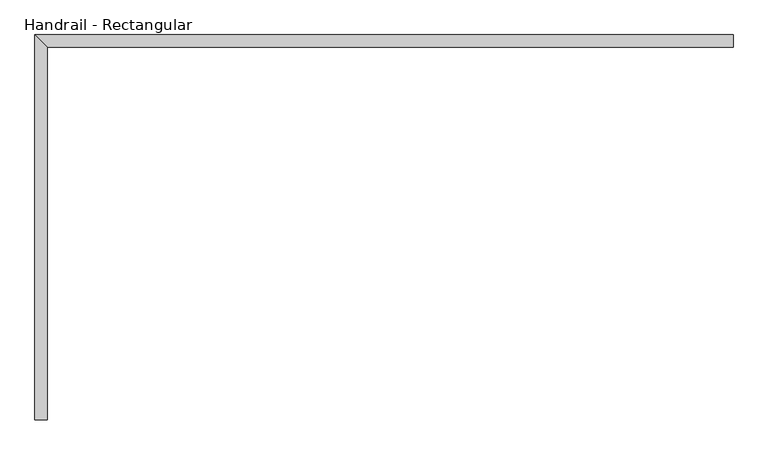
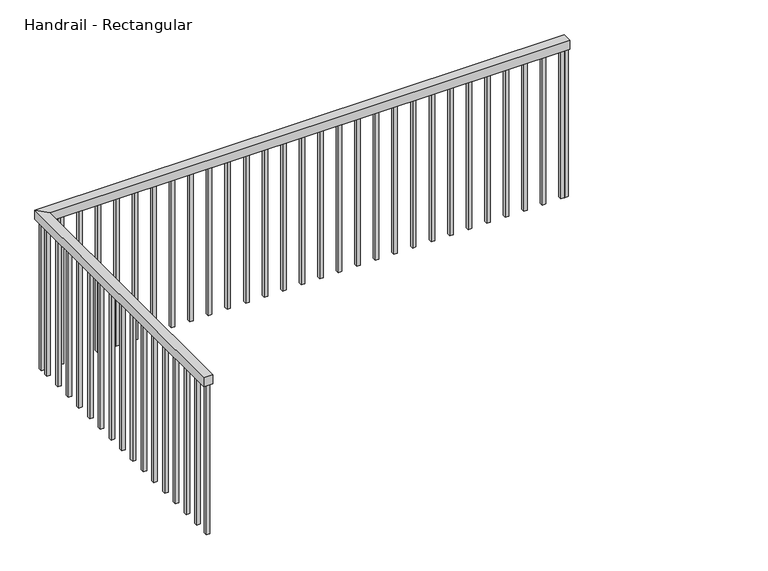
"""IFC4 building model written with IfcOpenShell, lengths in millimetres: railing geometry, Handrail - Rectangular."""

from ifc_helpers import new_model, si_unit, frame, origin, place, context, project, spatial, polyline, outline, extrude, faceted_brep, source, transform, mapped, element, save


def handrail_rectangular_9df8f19b(model_context):
    return source(origin(), model_context, "Body", "SolidModel", [
        faceted_brep([(-1881.1955986, 7012.9686834, 1364.4), (-1931.9955986, 7012.9686834, 1364.4), (-1931.9955986, 7012.9686834, 1313.6), (-1881.1955986, 7012.9686834, 1313.6), (-1881.1955986, 8562.1686834, 1364.4), (-1931.9955986, 8612.9686834, 1364.4), (-1931.9955986, 8612.9686834, 1313.6), (-1881.1955986, 8562.1686834, 1313.6), (968.0044014, 8562.1686834, 1364.4), (968.0044014, 8562.1686834, 1313.6), (968.0044014, 8612.9686834, 1313.6), (968.0044014, 8612.9686834, 1364.4)], [[[0, 1, 2, 3]], [[1, 0, 4, 5]], [[2, 1, 5, 6]], [[3, 2, 6, 7]], [[0, 3, 7, 4]], [[8, 9, 10, 11]], [[5, 4, 8, 11]], [[6, 5, 11, 10]], [[7, 6, 10, 9]], [[4, 7, 9, 8]]]),
        extrude(outline(polyline([(928.6794014, 8578.0436834), (928.6794014, 8597.0936834), (947.7294014, 8597.0936834), (947.7294014, 8578.0436834), (928.6794014, 8578.0436834)])), frame((0.0, 0.0, 450.0), z_axis=(0.0, 0.0, 1.0), x_axis=(1.0, 0.0, 0.0)), (0.0, 0.0, 1.0), 863.6),
        extrude(outline(polyline([(827.0794014, 8578.0436834), (827.0794014, 8597.0936834), (846.1294014, 8597.0936834), (846.1294014, 8578.0436834), (827.0794014, 8578.0436834)])), frame((0.0, 0.0, 450.0), z_axis=(0.0, 0.0, 1.0), x_axis=(1.0, 0.0, 0.0)), (0.0, 0.0, 1.0), 863.6),
        extrude(outline(polyline([(725.4794014, 8578.0436834), (725.4794014, 8597.0936834), (744.5294014, 8597.0936834), (744.5294014, 8578.0436834), (725.4794014, 8578.0436834)])), frame((0.0, 0.0, 450.0), z_axis=(0.0, 0.0, 1.0), x_axis=(1.0, 0.0, 0.0)), (0.0, 0.0, 1.0), 863.6),
        extrude(outline(polyline([(623.8794014, 8578.0436834), (623.8794014, 8597.0936834), (642.9294014, 8597.0936834), (642.9294014, 8578.0436834), (623.8794014, 8578.0436834)])), frame((0.0, 0.0, 450.0), z_axis=(0.0, 0.0, 1.0), x_axis=(1.0, 0.0, 0.0)), (0.0, 0.0, 1.0), 863.6),
        extrude(outline(polyline([(522.2794014, 8578.0436834), (522.2794014, 8597.0936834), (541.3294014, 8597.0936834), (541.3294014, 8578.0436834), (522.2794014, 8578.0436834)])), frame((0.0, 0.0, 450.0), z_axis=(0.0, 0.0, 1.0), x_axis=(1.0, 0.0, 0.0)), (0.0, 0.0, 1.0), 863.6),
        extrude(outline(polyline([(420.6794014, 8578.0436834), (420.6794014, 8597.0936834), (439.7294014, 8597.0936834), (439.7294014, 8578.0436834), (420.6794014, 8578.0436834)])), frame((0.0, 0.0, 450.0), z_axis=(0.0, 0.0, 1.0), x_axis=(1.0, 0.0, 0.0)), (0.0, 0.0, 1.0), 863.6),
        extrude(outline(polyline([(319.0794014, 8578.0436834), (319.0794014, 8597.0936834), (338.1294014, 8597.0936834), (338.1294014, 8578.0436834), (319.0794014, 8578.0436834)])), frame((0.0, 0.0, 450.0), z_axis=(0.0, 0.0, 1.0), x_axis=(1.0, 0.0, 0.0)), (0.0, 0.0, 1.0), 863.6),
        extrude(outline(polyline([(217.4794014, 8578.0436834), (217.4794014, 8597.0936834), (236.5294014, 8597.0936834), (236.5294014, 8578.0436834), (217.4794014, 8578.0436834)])), frame((0.0, 0.0, 450.0), z_axis=(0.0, 0.0, 1.0), x_axis=(1.0, 0.0, 0.0)), (0.0, 0.0, 1.0), 863.6),
        extrude(outline(polyline([(115.8794014, 8578.0436834), (115.8794014, 8597.0936834), (134.9294014, 8597.0936834), (134.9294014, 8578.0436834), (115.8794014, 8578.0436834)])), frame((0.0, 0.0, 450.0), z_axis=(0.0, 0.0, 1.0), x_axis=(1.0, 0.0, 0.0)), (0.0, 0.0, 1.0), 863.6),
        extrude(outline(polyline([(14.2794014, 8578.0436834), (14.2794014, 8597.0936834), (33.3294014, 8597.0936834), (33.3294014, 8578.0436834), (14.2794014, 8578.0436834)])), frame((0.0, 0.0, 450.0), z_axis=(0.0, 0.0, 1.0), x_axis=(1.0, 0.0, 0.0)), (0.0, 0.0, 1.0), 863.6),
        extrude(outline(polyline([(-87.3205986, 8578.0436834), (-87.3205986, 8597.0936834), (-68.2705986, 8597.0936834), (-68.2705986, 8578.0436834), (-87.3205986, 8578.0436834)])), frame((0.0, 0.0, 450.0), z_axis=(0.0, 0.0, 1.0), x_axis=(1.0, 0.0, 0.0)), (0.0, 0.0, 1.0), 863.6),
        extrude(outline(polyline([(-188.9205986, 8578.0436834), (-188.9205986, 8597.0936834), (-169.8705986, 8597.0936834), (-169.8705986, 8578.0436834), (-188.9205986, 8578.0436834)])), frame((0.0, 0.0, 450.0), z_axis=(0.0, 0.0, 1.0), x_axis=(1.0, 0.0, 0.0)), (0.0, 0.0, 1.0), 863.6),
        extrude(outline(polyline([(-290.5205986, 8578.0436834), (-290.5205986, 8597.0936834), (-271.4705986, 8597.0936834), (-271.4705986, 8578.0436834), (-290.5205986, 8578.0436834)])), frame((0.0, 0.0, 450.0), z_axis=(0.0, 0.0, 1.0), x_axis=(1.0, 0.0, 0.0)), (0.0, 0.0, 1.0), 863.6),
        extrude(outline(polyline([(-392.1205986, 8578.0436834), (-392.1205986, 8597.0936834), (-373.0705986, 8597.0936834), (-373.0705986, 8578.0436834), (-392.1205986, 8578.0436834)])), frame((0.0, 0.0, 450.0), z_axis=(0.0, 0.0, 1.0), x_axis=(1.0, 0.0, 0.0)), (0.0, 0.0, 1.0), 863.6),
        extrude(outline(polyline([(-493.7205986, 8578.0436834), (-493.7205986, 8597.0936834), (-474.6705986, 8597.0936834), (-474.6705986, 8578.0436834), (-493.7205986, 8578.0436834)])), frame((0.0, 0.0, 450.0), z_axis=(0.0, 0.0, 1.0), x_axis=(1.0, 0.0, 0.0)), (0.0, 0.0, 1.0), 863.6),
        extrude(outline(polyline([(-595.3205986, 8578.0436834), (-595.3205986, 8597.0936834), (-576.2705986, 8597.0936834), (-576.2705986, 8578.0436834), (-595.3205986, 8578.0436834)])), frame((0.0, 0.0, 450.0), z_axis=(0.0, 0.0, 1.0), x_axis=(1.0, 0.0, 0.0)), (0.0, 0.0, 1.0), 863.6),
        extrude(outline(polyline([(-696.9205986, 8578.0436834), (-696.9205986, 8597.0936834), (-677.8705986, 8597.0936834), (-677.8705986, 8578.0436834), (-696.9205986, 8578.0436834)])), frame((0.0, 0.0, 450.0), z_axis=(0.0, 0.0, 1.0), x_axis=(1.0, 0.0, 0.0)), (0.0, 0.0, 1.0), 863.6),
        extrude(outline(polyline([(-798.5205986, 8578.0436834), (-798.5205986, 8597.0936834), (-779.4705986, 8597.0936834), (-779.4705986, 8578.0436834), (-798.5205986, 8578.0436834)])), frame((0.0, 0.0, 450.0), z_axis=(0.0, 0.0, 1.0), x_axis=(1.0, 0.0, 0.0)), (0.0, 0.0, 1.0), 863.6),
        extrude(outline(polyline([(-900.1205986, 8578.0436834), (-900.1205986, 8597.0936834), (-881.0705986, 8597.0936834), (-881.0705986, 8578.0436834), (-900.1205986, 8578.0436834)])), frame((0.0, 0.0, 450.0), z_axis=(0.0, 0.0, 1.0), x_axis=(1.0, 0.0, 0.0)), (0.0, 0.0, 1.0), 863.6),
        extrude(outline(polyline([(-1001.7205986, 8578.0436834), (-1001.7205986, 8597.0936834), (-982.6705986, 8597.0936834), (-982.6705986, 8578.0436834), (-1001.7205986, 8578.0436834)])), frame((0.0, 0.0, 450.0), z_axis=(0.0, 0.0, 1.0), x_axis=(1.0, 0.0, 0.0)), (0.0, 0.0, 1.0), 863.6),
        extrude(outline(polyline([(-1103.3205986, 8578.0436834), (-1103.3205986, 8597.0936834), (-1084.2705986, 8597.0936834), (-1084.2705986, 8578.0436834), (-1103.3205986, 8578.0436834)])), frame((0.0, 0.0, 450.0), z_axis=(0.0, 0.0, 1.0), x_axis=(1.0, 0.0, 0.0)), (0.0, 0.0, 1.0), 863.6),
        extrude(outline(polyline([(-1204.9205986, 8578.0436834), (-1204.9205986, 8597.0936834), (-1185.8705986, 8597.0936834), (-1185.8705986, 8578.0436834), (-1204.9205986, 8578.0436834)])), frame((0.0, 0.0, 450.0), z_axis=(0.0, 0.0, 1.0), x_axis=(1.0, 0.0, 0.0)), (0.0, 0.0, 1.0), 863.6),
        extrude(outline(polyline([(-1306.5205986, 8578.0436834), (-1306.5205986, 8597.0936834), (-1287.4705986, 8597.0936834), (-1287.4705986, 8578.0436834), (-1306.5205986, 8578.0436834)])), frame((0.0, 0.0, 450.0), z_axis=(0.0, 0.0, 1.0), x_axis=(1.0, 0.0, 0.0)), (0.0, 0.0, 1.0), 863.6),
        extrude(outline(polyline([(-1408.1205986, 8578.0436834), (-1408.1205986, 8597.0936834), (-1389.0705986, 8597.0936834), (-1389.0705986, 8578.0436834), (-1408.1205986, 8578.0436834)])), frame((0.0, 0.0, 450.0), z_axis=(0.0, 0.0, 1.0), x_axis=(1.0, 0.0, 0.0)), (0.0, 0.0, 1.0), 863.6),
        extrude(outline(polyline([(-1509.7205986, 8578.0436834), (-1509.7205986, 8597.0936834), (-1490.6705986, 8597.0936834), (-1490.6705986, 8578.0436834), (-1509.7205986, 8578.0436834)])), frame((0.0, 0.0, 450.0), z_axis=(0.0, 0.0, 1.0), x_axis=(1.0, 0.0, 0.0)), (0.0, 0.0, 1.0), 863.6),
        extrude(outline(polyline([(-1611.3205986, 8578.0436834), (-1611.3205986, 8597.0936834), (-1592.2705986, 8597.0936834), (-1592.2705986, 8578.0436834), (-1611.3205986, 8578.0436834)])), frame((0.0, 0.0, 450.0), z_axis=(0.0, 0.0, 1.0), x_axis=(1.0, 0.0, 0.0)), (0.0, 0.0, 1.0), 863.6),
        extrude(outline(polyline([(-1712.9205986, 8578.0436834), (-1712.9205986, 8597.0936834), (-1693.8705986, 8597.0936834), (-1693.8705986, 8578.0436834), (-1712.9205986, 8578.0436834)])), frame((0.0, 0.0, 450.0), z_axis=(0.0, 0.0, 1.0), x_axis=(1.0, 0.0, 0.0)), (0.0, 0.0, 1.0), 863.6),
        extrude(outline(polyline([(-1814.5205986, 8578.0436834), (-1814.5205986, 8597.0936834), (-1795.4705986, 8597.0936834), (-1795.4705986, 8578.0436834), (-1814.5205986, 8578.0436834)])), frame((0.0, 0.0, 450.0), z_axis=(0.0, 0.0, 1.0), x_axis=(1.0, 0.0, 0.0)), (0.0, 0.0, 1.0), 863.6),
        extrude(outline(polyline([(-1897.0705986, 8527.4436834), (-1916.1205986, 8527.4436834), (-1916.1205986, 8546.4936834), (-1897.0705986, 8546.4936834), (-1897.0705986, 8527.4436834)])), frame((0.0, 0.0, 450.0), z_axis=(0.0, 0.0, 1.0), x_axis=(1.0, 0.0, 0.0)), (0.0, 0.0, 1.0), 863.6),
        extrude(outline(polyline([(-1897.0705986, 8425.8436834), (-1916.1205986, 8425.8436834), (-1916.1205986, 8444.8936834), (-1897.0705986, 8444.8936834), (-1897.0705986, 8425.8436834)])), frame((0.0, 0.0, 450.0), z_axis=(0.0, 0.0, 1.0), x_axis=(1.0, 0.0, 0.0)), (0.0, 0.0, 1.0), 863.6),
        extrude(outline(polyline([(-1897.0705986, 8324.2436834), (-1916.1205986, 8324.2436834), (-1916.1205986, 8343.2936834), (-1897.0705986, 8343.2936834), (-1897.0705986, 8324.2436834)])), frame((0.0, 0.0, 450.0), z_axis=(0.0, 0.0, 1.0), x_axis=(1.0, 0.0, 0.0)), (0.0, 0.0, 1.0), 863.6),
        extrude(outline(polyline([(-1897.0705986, 8222.6436834), (-1916.1205986, 8222.6436834), (-1916.1205986, 8241.6936834), (-1897.0705986, 8241.6936834), (-1897.0705986, 8222.6436834)])), frame((0.0, 0.0, 450.0), z_axis=(0.0, 0.0, 1.0), x_axis=(1.0, 0.0, 0.0)), (0.0, 0.0, 1.0), 863.6),
        extrude(outline(polyline([(-1897.0705986, 8121.0436834), (-1916.1205986, 8121.0436834), (-1916.1205986, 8140.0936834), (-1897.0705986, 8140.0936834), (-1897.0705986, 8121.0436834)])), frame((0.0, 0.0, 450.0), z_axis=(0.0, 0.0, 1.0), x_axis=(1.0, 0.0, 0.0)), (0.0, 0.0, 1.0), 863.6),
        extrude(outline(polyline([(-1897.0705986, 8019.4436834), (-1916.1205986, 8019.4436834), (-1916.1205986, 8038.4936834), (-1897.0705986, 8038.4936834), (-1897.0705986, 8019.4436834)])), frame((0.0, 0.0, 450.0), z_axis=(0.0, 0.0, 1.0), x_axis=(1.0, 0.0, 0.0)), (0.0, 0.0, 1.0), 863.6),
        extrude(outline(polyline([(-1897.0705986, 7917.8436834), (-1916.1205986, 7917.8436834), (-1916.1205986, 7936.8936834), (-1897.0705986, 7936.8936834), (-1897.0705986, 7917.8436834)])), frame((0.0, 0.0, 450.0), z_axis=(0.0, 0.0, 1.0), x_axis=(1.0, 0.0, 0.0)), (0.0, 0.0, 1.0), 863.6),
        extrude(outline(polyline([(-1897.0705986, 7816.2436834), (-1916.1205986, 7816.2436834), (-1916.1205986, 7835.2936834), (-1897.0705986, 7835.2936834), (-1897.0705986, 7816.2436834)])), frame((0.0, 0.0, 450.0), z_axis=(0.0, 0.0, 1.0), x_axis=(1.0, 0.0, 0.0)), (0.0, 0.0, 1.0), 863.6),
        extrude(outline(polyline([(-1897.0705986, 7714.6436834), (-1916.1205986, 7714.6436834), (-1916.1205986, 7733.6936834), (-1897.0705986, 7733.6936834), (-1897.0705986, 7714.6436834)])), frame((0.0, 0.0, 450.0), z_axis=(0.0, 0.0, 1.0), x_axis=(1.0, 0.0, 0.0)), (0.0, 0.0, 1.0), 863.6),
        extrude(outline(polyline([(-1897.0705986, 7613.0436834), (-1916.1205986, 7613.0436834), (-1916.1205986, 7632.0936834), (-1897.0705986, 7632.0936834), (-1897.0705986, 7613.0436834)])), frame((0.0, 0.0, 450.0), z_axis=(0.0, 0.0, 1.0), x_axis=(1.0, 0.0, 0.0)), (0.0, 0.0, 1.0), 863.6),
        extrude(outline(polyline([(-1897.0705986, 7511.4436834), (-1916.1205986, 7511.4436834), (-1916.1205986, 7530.4936834), (-1897.0705986, 7530.4936834), (-1897.0705986, 7511.4436834)])), frame((0.0, 0.0, 450.0), z_axis=(0.0, 0.0, 1.0), x_axis=(1.0, 0.0, 0.0)), (0.0, 0.0, 1.0), 863.6),
        extrude(outline(polyline([(-1897.0705986, 7409.8436834), (-1916.1205986, 7409.8436834), (-1916.1205986, 7428.8936834), (-1897.0705986, 7428.8936834), (-1897.0705986, 7409.8436834)])), frame((0.0, 0.0, 450.0), z_axis=(0.0, 0.0, 1.0), x_axis=(1.0, 0.0, 0.0)), (0.0, 0.0, 1.0), 863.6),
        extrude(outline(polyline([(-1897.0705986, 7308.2436834), (-1916.1205986, 7308.2436834), (-1916.1205986, 7327.2936834), (-1897.0705986, 7327.2936834), (-1897.0705986, 7308.2436834)])), frame((0.0, 0.0, 450.0), z_axis=(0.0, 0.0, 1.0), x_axis=(1.0, 0.0, 0.0)), (0.0, 0.0, 1.0), 863.6),
        extrude(outline(polyline([(-1897.0705986, 7206.6436834), (-1916.1205986, 7206.6436834), (-1916.1205986, 7225.6936834), (-1897.0705986, 7225.6936834), (-1897.0705986, 7206.6436834)])), frame((0.0, 0.0, 450.0), z_axis=(0.0, 0.0, 1.0), x_axis=(1.0, 0.0, 0.0)), (0.0, 0.0, 1.0), 863.6),
        extrude(outline(polyline([(-1897.0705986, 7105.0436834), (-1916.1205986, 7105.0436834), (-1916.1205986, 7124.0936834), (-1897.0705986, 7124.0936834), (-1897.0705986, 7105.0436834)])), frame((0.0, 0.0, 450.0), z_axis=(0.0, 0.0, 1.0), x_axis=(1.0, 0.0, 0.0)), (0.0, 0.0, 1.0), 863.6),
        extrude(outline(polyline([(-1897.0705986, 8578.0436834), (-1916.1205986, 8578.0436834), (-1916.1205986, 8597.0936834), (-1897.0705986, 8597.0936834), (-1897.0705986, 8578.0436834)])), frame((0.0, 0.0, 450.0), z_axis=(0.0, 0.0, 1.0), x_axis=(1.0, 0.0, 0.0)), (0.0, 0.0, 1.0), 863.6),
        extrude(outline(polyline([(948.9544014, 8578.0436834), (948.9544014, 8597.0936834), (968.0044014, 8597.0936834), (968.0044014, 8578.0436834), (948.9544014, 8578.0436834)])), frame((0.0, 0.0, 450.0), z_axis=(0.0, 0.0, 1.0), x_axis=(1.0, 0.0, 0.0)), (0.0, 0.0, 1.0), 863.6),
        extrude(outline(polyline([(-1897.0705986, 7012.9686834), (-1916.1205986, 7012.9686834), (-1916.1205986, 7032.0186834), (-1897.0705986, 7032.0186834), (-1897.0705986, 7012.9686834)])), frame((0.0, 0.0, 450.0), z_axis=(0.0, 0.0, 1.0), x_axis=(1.0, 0.0, 0.0)), (0.0, 0.0, 1.0), 863.6),
    ])


if __name__ == "__main__":
    model = new_model("IFC4")
    model_context = context("Model", 3, world=origin())
    ifc_project = project(units=[si_unit("LENGTHUNIT", "METRE", prefix="MILLI")], contexts=[model_context])
    site = spatial("IfcSite", under=ifc_project)
    building = spatial("IfcBuilding", under=site)
    placement = place(None, origin())
    handrail_rectangular_shape = handrail_rectangular_9df8f19b(model_context)
    element("IfcRailing", 1, ObjectType="Handrail - Rectangular", at=placement, inside=building, context=model_context, shape_type="MappedRepresentation", body=[
        mapped(handrail_rectangular_shape, transform((0.0, 0.0, 0.0), x_axis=(1.0, 0.0, 0.0), y_axis=(0.0, 1.0, 0.0), z_axis=(0.0, 0.0, 1.0))),
    ])
    save(model, "model.ifc")
